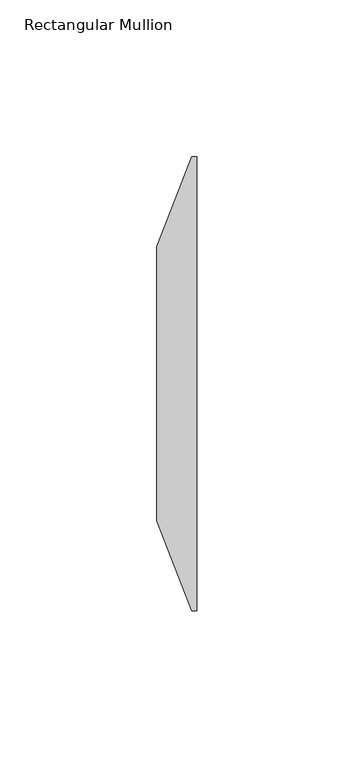
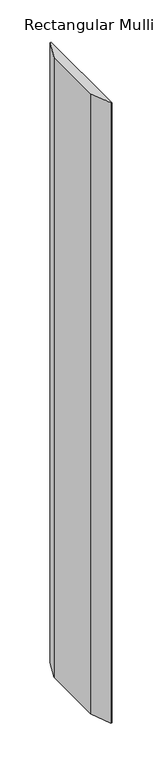
"""IFC4 building model written with IfcOpenShell, lengths in millimetres: member geometry, Rectangular Mullion."""

from ifc_helpers import new_model, si_unit, frame, origin, place, context, project, spatial, polyline, outline, extrude, source, transform, mapped, element, save


def rectangular_mullion_dd896122(model_context):
    return source(origin(), model_context, "Body", "SweptSolid", [
        extrude(outline(polyline([(0.0, -58.7375), (-1.5875, -58.7375), (-12.7, -30.1625), (-12.7, 57.15), (-1.5875, 85.725), (0.0, 85.725), (0.0, -58.7375)])), frame((0.0, 0.0, -898.525), z_axis=(0.0, 0.0, 1.0), x_axis=(1.0, 0.0, 0.0)), (0.0, 0.0, 1.0), 898.525),
    ])


if __name__ == "__main__":
    model = new_model("IFC4")
    model_context = context("Model", 3, world=origin())
    ifc_project = project(units=[si_unit("LENGTHUNIT", "METRE", prefix="MILLI")], contexts=[model_context])
    site = spatial("IfcSite", under=ifc_project)
    building = spatial("IfcBuilding", under=site)
    placement = place(None, origin())
    rectangular_mullion_shape = rectangular_mullion_dd896122(model_context)
    element("IfcMember", 1, ObjectType="Rectangular Mullion", at=placement, inside=building, context=model_context, shape_type="MappedRepresentation", body=[
        mapped(rectangular_mullion_shape, transform((0.0, 0.0, 0.0), x_axis=(1.0, 0.0, 0.0), y_axis=(0.0, 1.0, 0.0), z_axis=(0.0, 0.0, 1.0))),
    ])
    save(model, "model.ifc")
